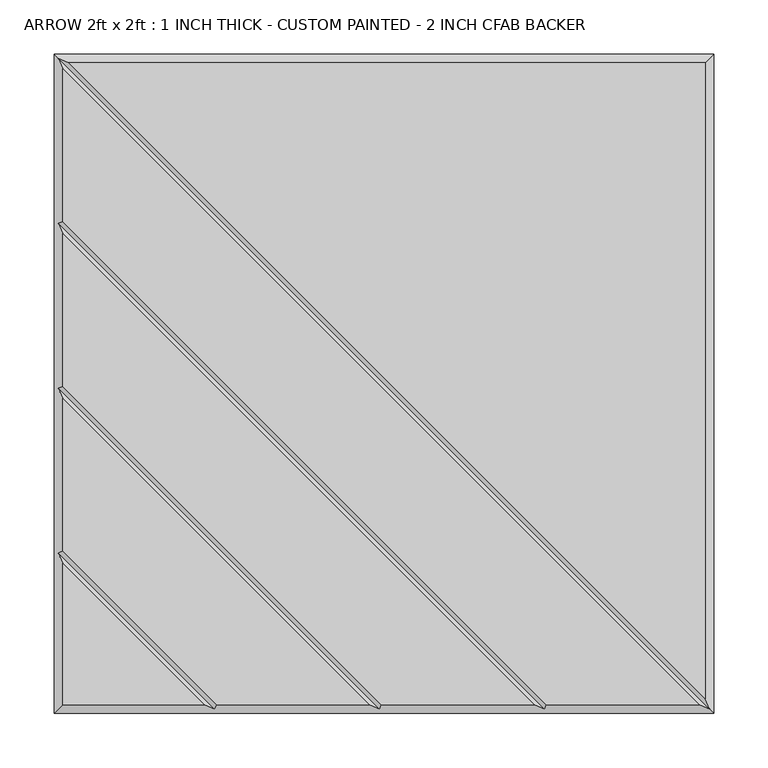
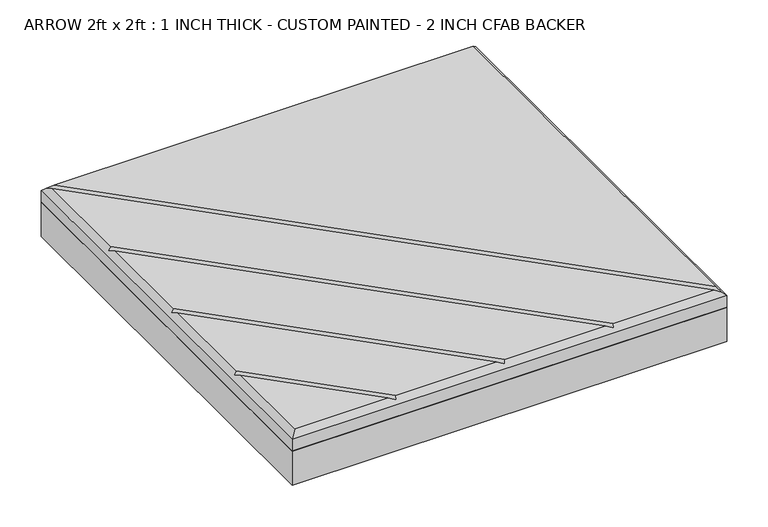
"""IFC4 building model written with IfcOpenShell, lengths in millimetres: proxy geometry, ARROW 2ft x 2ft : 1 INCH THICK - CUSTOM PAINTED - 2 INCH CFAB BACKER."""

from ifc_helpers import new_model, si_unit, frame, origin, place, context, project, spatial, polyline, outline, extrude, faceted_brep, source, transform, mapped, element, save


def arrow_2ft_x_2ft_1_inch_thick_custom_painted_2_inch_cfab_75e79731(model_context):
    return source(origin(), model_context, "Body", "SolidModel", [
        extrude(outline(polyline([(-304.8, 304.8), (304.8, 304.8), (304.8, -304.8), (-304.8, -304.8), (-304.8, 304.8)])), frame((0.0, 0.0, -50.8), z_axis=(0.0, 0.0, 1.0), x_axis=(1.0, 0.0, 0.0)), (0.0, 0.0, 1.0), 50.8),
        faceted_brep([(296.799, 296.799, 25.4), (-291.1414386, 296.799, 25.4), (296.799, -291.1414386, 25.4), (291.1414386, -296.799, 25.4), (-296.799, 291.1414386, 25.4), (-296.799, 150.0565868, 25.4), (150.0565868, -296.799, 25.4), (138.741464, -296.799, 25.4), (-296.799, 138.741464, 25.4), (-296.799, -2.3434132, 25.4), (-2.3434132, -296.799, 25.4), (-13.658536, -296.799, 25.4), (-296.799, -13.658536, 25.4), (-296.799, -154.7434132, 25.4), (-154.7434132, -296.799, 25.4), (-296.799, -166.058536, 25.4), (-296.799, -296.799, 25.4), (-166.058536, -296.799, 25.4), (-304.8, 304.8, 0.0), (304.8, 304.8, 0.0), (304.8, -304.8, 0.0), (-304.8, -304.8, 0.0), (-304.8, -304.8, 17.399), (-304.8, 304.8, 17.399), (304.8, -304.8, 17.399), (304.8, 304.8, 17.399), (-300.7995, 300.7995, 21.3995), (-300.7995, -156.4004746, 21.3995), (-300.7995, -4.0004746, 21.3995), (-300.7995, 148.3995254, 21.3995), (300.7995, -300.7995, 21.3995), (148.3995254, -300.7995, 21.3995), (-4.0004746, -300.7995, 21.3995), (-156.4004746, -300.7995, 21.3995)], [[[0, 1, 2]], [[3, 4, 5, 6]], [[7, 8, 9, 10]], [[11, 12, 13, 14]], [[15, 16, 17]], [[18, 19, 20, 21]], [[18, 21, 22, 23]], [[21, 20, 24, 22]], [[20, 19, 25, 24]], [[19, 18, 23, 25]], [[0, 25, 23, 26, 1]], [[22, 16, 15, 27, 13, 12, 28, 9, 8, 29, 5, 4, 26, 23]], [[16, 22, 24, 30, 3, 6, 31, 7, 10, 32, 11, 14, 33, 17]], [[25, 0, 2, 30, 24]], [[26, 30, 2, 1]], [[30, 26, 4, 3]], [[29, 31, 6, 5]], [[31, 29, 8, 7]], [[28, 32, 10, 9]], [[32, 28, 12, 11]], [[27, 33, 14, 13]], [[33, 27, 15, 17]]]),
    ])


if __name__ == "__main__":
    model = new_model("IFC4")
    model_context = context("Model", 3, world=origin())
    ifc_project = project(units=[si_unit("LENGTHUNIT", "METRE", prefix="MILLI")], contexts=[model_context])
    site = spatial("IfcSite", under=ifc_project)
    building = spatial("IfcBuilding", under=site)
    placement = place(None, origin())
    arrow_2ft_x_2ft_1_inch_thick_custom_painted_2_inch_cfab_shape = arrow_2ft_x_2ft_1_inch_thick_custom_painted_2_inch_cfab_75e79731(model_context)
    element("IfcBuildingElementProxy", 1, Name="ARROW 2ft x 2ft : 1 INCH THICK - CUSTOM PAINTED - 2 INCH CFAB BACKER", ObjectType="ARROW 2ft x 2ft : 1 INCH THICK - CUSTOM PAINTED - 2 INCH CFAB BACKER", at=placement, inside=building, context=model_context, shape_type="MappedRepresentation", body=[
        mapped(arrow_2ft_x_2ft_1_inch_thick_custom_painted_2_inch_cfab_shape, transform((0.0, 0.0, 0.0), x_axis=(1.0, 0.0, 0.0), y_axis=(0.0, 1.0, 0.0), z_axis=(0.0, 0.0, 1.0))),
    ])
    save(model, "model.ifc")
